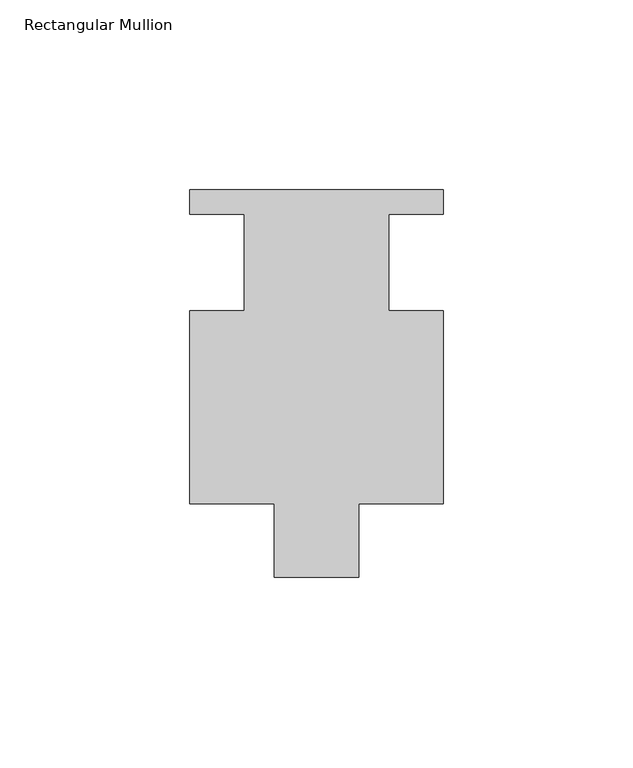
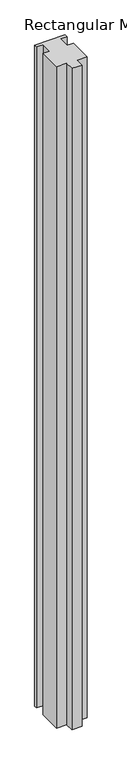
"""IFC4 building model written with IfcOpenShell, lengths in millimetres: member geometry, Rectangular Mullion."""

from ifc_helpers import new_model, si_unit, frame, origin, place, context, project, spatial, polyline, outline, extrude, source, transform, mapped, element, save


def rectangular_mullion_c7506248(model_context):
    return source(origin(), model_context, "Body", "SweptSolid", [
        extrude(outline(polyline([(-6.7780973, -53.975), (-29.0030973, -53.975), (-29.0030973, -3.175), (-14.7155973, -3.175), (-14.7155973, 22.225), (-29.0030973, 22.225), (-29.0030973, 28.702), (37.6719027, 28.702), (37.6719027, 22.225), (23.3844027, 22.225), (23.3844027, -3.175), (37.6719027, -3.175), (37.6719027, -53.975), (15.4469027, -53.975), (15.4469027, -73.279), (-6.7780973, -73.279), (-6.7780973, -53.975)])), frame((0.0, 0.0, -1524.0), z_axis=(0.0, 0.0, 1.0), x_axis=(1.0, 0.0, 0.0)), (0.0, 0.0, 1.0), 1524.0),
    ])


if __name__ == "__main__":
    model = new_model("IFC4")
    model_context = context("Model", 3, world=origin())
    ifc_project = project(units=[si_unit("LENGTHUNIT", "METRE", prefix="MILLI")], contexts=[model_context])
    site = spatial("IfcSite", under=ifc_project)
    building = spatial("IfcBuilding", under=site)
    placement = place(None, origin())
    rectangular_mullion_shape = rectangular_mullion_c7506248(model_context)
    element("IfcMember", 1, ObjectType="Rectangular Mullion", at=placement, inside=building, context=model_context, shape_type="MappedRepresentation", body=[
        mapped(rectangular_mullion_shape, transform((0.0, 0.0, 0.0), x_axis=(1.0, 0.0, 0.0), y_axis=(0.0, 1.0, 0.0), z_axis=(0.0, 0.0, 1.0))),
    ])
    save(model, "model.ifc")
